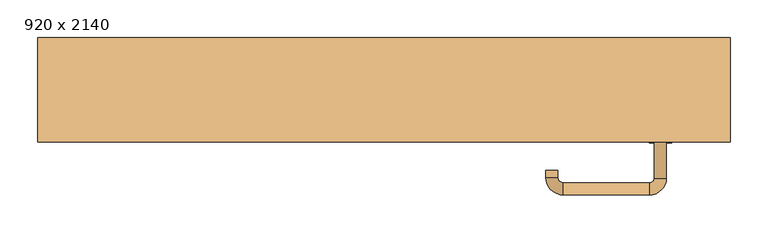
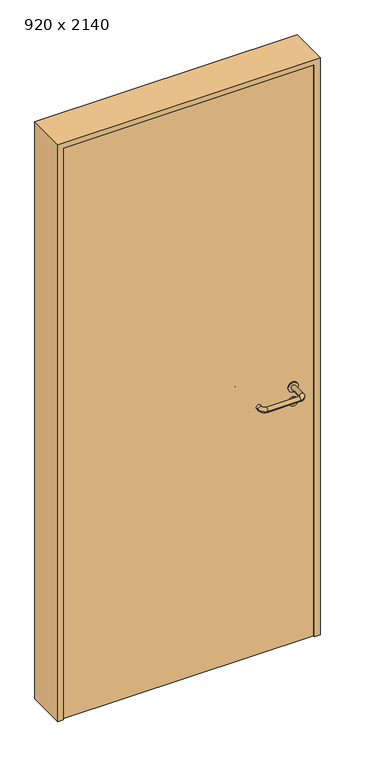
"""IFC4 building model written with IfcOpenShell, lengths in millimetres: door geometry, 920 x 2140."""

import ifcopenshell
import ifcopenshell.guid

model = None  # the IFC model being written
_history = None  # IfcOwnerHistory: only IFC2X3 demands one
_inside = {}  # id of a spatial element -> (the spatial element, [elements in it])
_under = {}  # id of a project, library or spatial element -> (it, [spatial elements below it])
_declared = {}  # id of a project -> (the project, [libraries it declares])
_typed = {}  # id of a type object -> (the type object, [elements of that type])
_made_of = {}  # id of a material, layer set ... -> (it, [elements and type objects made of it])


def new_model(schema):
    """Start an empty IFC model of exactly this schema.

    Asked for "IFC4X3", IfcOpenShell would pick the latest addendum, in which some entities
    have other attributes; the version numbers below select the first issue.
    IFC2X3 requires an IfcOwnerHistory on every rooted entity: one is made here for all.
    """
    global model, _history
    if schema == "IFC4X3":
        model = ifcopenshell.file(schema_version=(4, 3, 0, 0))
    else:
        model = ifcopenshell.file(schema=schema)
    _inside.clear()
    _under.clear()
    _declared.clear()
    _typed.clear()
    _made_of.clear()
    _history = None
    if model.schema == "IFC2X3":
        org = make("IfcOrganization", Name="unknown")
        user = make(
            "IfcPersonAndOrganization",
            ThePerson=make("IfcPerson", FamilyName="unknown"),
            TheOrganization=org,
        )
        app = make(
            "IfcApplication",
            ApplicationDeveloper=org,
            Version="unknown",
            ApplicationFullName="unknown",
            ApplicationIdentifier="unknown",
        )
        _history = make(
            "IfcOwnerHistory",
            OwningUser=user,
            OwningApplication=app,
            ChangeAction="ADDED",
            CreationDate=0,
        )
    return model


def make(cls, **values):
    """One entity of the class cls with the attributes given. An attribute that is None is left unset."""
    return model.create_entity(
        cls, **{name: value for name, value in values.items() if value is not None}
    )


def rooted(cls, **values):
    """An entity with a GlobalId (a new one), such as an element, a storey or a relation."""
    return make(cls, GlobalId=ifcopenshell.guid.new(), OwnerHistory=_history, **values)


def si_unit(unit_type, name, prefix=None):
    """IfcSIUnit, for example si_unit("LENGTHUNIT", "METRE", prefix="MILLI")."""
    return make("IfcSIUnit", UnitType=unit_type, Prefix=prefix, Name=name)


def assignment(units):
    """IfcUnitAssignment: the units of a project."""
    return None if units is None else make("IfcUnitAssignment", Units=units)


def point(xyz):
    """IfcCartesianPoint."""
    return None if xyz is None else make("IfcCartesianPoint", Coordinates=xyz)


def direction(xyz):
    """IfcDirection."""
    return None if xyz is None else make("IfcDirection", DirectionRatios=xyz)


def frame(location, z_axis=None, x_axis=None):
    """IfcAxis2Placement3D, a coordinate frame: its origin and axes. An axis left out is left unset."""
    return make(
        "IfcAxis2Placement3D",
        Location=point(location),
        Axis=direction(z_axis),
        RefDirection=direction(x_axis),
    )


def frame_2d(location, x_axis=None):
    """IfcAxis2Placement2D, a coordinate frame in the plane: its origin and x axis."""
    return make(
        "IfcAxis2Placement2D", Location=point(location), RefDirection=direction(x_axis)
    )


def origin():
    """The frame at (0, 0, 0) with its axes left unset."""
    return frame((0.0, 0.0, 0.0))


def origin_with_axes():
    """The frame at (0, 0, 0) with the z axis (0, 0, 1) and the x axis (1, 0, 0) written out."""
    return frame((0.0, 0.0, 0.0), z_axis=(0.0, 0.0, 1.0), x_axis=(1.0, 0.0, 0.0))


def place(relative_to, where):
    """IfcLocalPlacement: puts the frame where relative to a parent placement (None: the world)."""
    return make(
        "IfcLocalPlacement", PlacementRelTo=relative_to, RelativePlacement=where
    )


def context(
    kind, dimensions, precision=None, world=None, true_north=None, identifier=None
):
    """IfcGeometricRepresentationContext, for example the 3D "Model" context."""
    return make(
        "IfcGeometricRepresentationContext",
        ContextIdentifier=identifier,
        ContextType=kind,
        CoordinateSpaceDimension=dimensions,
        Precision=precision,
        WorldCoordinateSystem=world,
        TrueNorth=true_north,
    )


def project(units=None, contexts=None):
    """IfcProject with its units and contexts."""
    return rooted(
        "IfcProject",
        Name="project",
        RepresentationContexts=contexts,
        UnitsInContext=assignment(units),
    )


def spatial(cls, under=None, at=None, **own):
    """A site, building, storey or space (cls), placed at a placement, below another one or the project."""
    s = rooted(cls, ObjectPlacement=at, **own)
    if under is not None:
        _under.setdefault(under.id(), (under, []))[1].append(s)
    return s


def polyline(points):
    """IfcPolyline through the points."""
    return make("IfcPolyline", Points=[point(p) for p in points])


def circle_curve(where, radius):
    """IfcCircle in the frame where."""
    return make("IfcCircle", Position=where, Radius=radius)


def ellipse_curve(where, semi_axis1, semi_axis2):
    """IfcEllipse in the frame where."""
    return make(
        "IfcEllipse", Position=where, SemiAxis1=semi_axis1, SemiAxis2=semi_axis2
    )


def trimmed(basis, trim1, trim2, sense, master):
    """IfcTrimmedCurve: the piece of a basis curve between two trims."""
    return make(
        "IfcTrimmedCurve",
        BasisCurve=basis,
        Trim1=trim1,
        Trim2=trim2,
        SenseAgreement=sense,
        MasterRepresentation=master,
    )


def segment(curve, same_sense, transition):
    """IfcCompositeCurveSegment."""
    return make(
        "IfcCompositeCurveSegment",
        Transition=transition,
        SameSense=same_sense,
        ParentCurve=curve,
    )


def composite_curve(segments, self_intersect=None):
    """IfcCompositeCurve: segments joined end to end."""
    return make("IfcCompositeCurve", Segments=segments, SelfIntersect=self_intersect)


def outline(outer, holes=None, kind="AREA"):
    """IfcArbitraryClosedProfileDef: a profile drawn as a closed curve; with holes, ...WithVoids."""
    if holes is None:
        return make("IfcArbitraryClosedProfileDef", ProfileType=kind, OuterCurve=outer)
    return make(
        "IfcArbitraryProfileDefWithVoids",
        ProfileType=kind,
        OuterCurve=outer,
        InnerCurves=holes,
    )


def extrude(swept, where, along, depth):
    """IfcExtrudedAreaSolid: the profile swept, set in the frame where, extruded along a direction by depth."""
    return make(
        "IfcExtrudedAreaSolid",
        SweptArea=swept,
        Position=where,
        ExtrudedDirection=direction(along),
        Depth=depth,
    )


def shape(context_of_items, identifier, shape_type, items):
    """IfcShapeRepresentation: the items that make up one representation, for example the "Body"."""
    return make(
        "IfcShapeRepresentation",
        ContextOfItems=context_of_items,
        RepresentationIdentifier=identifier,
        RepresentationType=shape_type,
        Items=items,
    )


def source(mapping_origin, context_of_items, identifier, shape_type, items):
    """IfcRepresentationMap: a shape defined once, which mapped items show again and again."""
    return make(
        "IfcRepresentationMap",
        MappingOrigin=mapping_origin,
        MappedRepresentation=shape(context_of_items, identifier, shape_type, items),
    )


def transform(
    local_origin,
    x_axis=None,
    y_axis=None,
    z_axis=None,
    scale=None,
    scale2=None,
    scale3=None,
    uniform=True,
):
    """IfcCartesianTransformationOperator3D, or its non-uniform kind. x_axis, y_axis, z_axis: its Axis1, 2, 3."""
    if uniform:
        return make(
            "IfcCartesianTransformationOperator3D",
            Axis1=direction(x_axis),
            Axis2=direction(y_axis),
            LocalOrigin=point(local_origin),
            Scale=scale,
            Axis3=direction(z_axis),
        )
    return make(
        "IfcCartesianTransformationOperator3DnonUniform",
        Axis1=direction(x_axis),
        Axis2=direction(y_axis),
        LocalOrigin=point(local_origin),
        Scale=scale,
        Axis3=direction(z_axis),
        Scale2=scale2,
        Scale3=scale3,
    )


def mapped(mapping_source, mapping_target):
    """IfcMappedItem: shows the shape of a source again, moved by a transform."""
    return make(
        "IfcMappedItem", MappingSource=mapping_source, MappingTarget=mapping_target
    )


def made_of(thing, what):
    """Note that an element or type object is made of a material, layer set ...; save() writes the relation."""
    if what is not None:
        _made_of.setdefault(what.id(), (what, []))[1].append(thing)
    return thing


def element(
    cls,
    number,
    at=None,
    inside=None,
    cuts=None,
    type_object=None,
    material=None,
    context=None,
    identifier="Body",
    shape_type=None,
    held_by="IfcProductDefinitionShape",
    body=None,
    shapes=None,
    **own,
):
    """One element of the class cls, such as IfcWall. Its Tag is "e" and its number.

    at: its placement. inside: the storey or other place that contains it. cuts: it is an
    opening in that element (IfcRelVoidsElement). A single representation is given by context,
    identifier, shape_type and body (its items); several are given by shapes. held_by: the class
    of the entity that holds the representations. save() writes the other relations.
    """
    e = rooted(cls, Tag="e%d" % number, ObjectPlacement=at, **own)
    if body is not None:
        shapes = [shape(context, identifier, shape_type, body)]
    if shapes is not None:
        e.Representation = make(held_by, Representations=shapes)
    if inside is not None:
        _inside.setdefault(inside.id(), (inside, []))[1].append(e)
    if cuts is not None:
        rooted(
            "IfcRelVoidsElement", RelatingBuildingElement=cuts, RelatedOpeningElement=e
        )
    if type_object is not None:
        _typed.setdefault(type_object.id(), (type_object, []))[1].append(e)
    return made_of(e, material)


def aggregate(whole, parts):
    """IfcRelAggregates: a whole, such as a stair, and the parts it consists of."""
    return rooted("IfcRelAggregates", RelatingObject=whole, RelatedObjects=parts)


def save(model, path):
    """Write the relations noted so far, then the file.

    IfcRelAggregates (storeys below a building ...), IfcRelContainedInSpatialStructure (elements
    in a storey), IfcRelDefinesByType, IfcRelAssociatesMaterial and IfcRelDeclares: one each for
    every whole, place, type object, material and project.
    """
    for whole, parts in _under.values():
        aggregate(whole, parts)
    for where, things in _inside.values():
        rooted(
            "IfcRelContainedInSpatialStructure",
            RelatedElements=things,
            RelatingStructure=where,
        )
    for kind, things in _typed.values():
        rooted("IfcRelDefinesByType", RelatedObjects=things, RelatingType=kind)
    for what, things in _made_of.values():
        rooted("IfcRelAssociatesMaterial", RelatedObjects=things, RelatingMaterial=what)
    for by, libraries in _declared.values():
        rooted("IfcRelDeclares", RelatingContext=by, RelatedDefinitions=libraries)
    model.write(path)


def plane_surface(at):
    """IfcPlane: the flat surface through the origin of the frame at, square to its z axis."""
    return make("IfcPlane", Position=at)


def cylinder_surface(at, radius):
    """IfcCylindricalSurface: all points at the distance radius from the z axis of the frame at."""
    return make("IfcCylindricalSurface", Position=at, Radius=radius)


def revolved_surface(curve, axis_point, axis_direction):
    """IfcSurfaceOfRevolution: the curve turned about the line through axis_point along axis_direction."""
    return make(
        "IfcSurfaceOfRevolution",
        SweptCurve=make("IfcArbitraryOpenProfileDef", ProfileType="CURVE", Curve=curve),
        AxisPosition=make("IfcAxis1Placement", Location=point(axis_point), Axis=direction(axis_direction)),
    )


def advanced_brep(points, edges, surfaces, faces):
    """IfcAdvancedBrep: a solid bounded by faces that lie on surfaces and meet in shared edges.

    An edge is (start, end): straight between two places in points (the first is 0);
    or (start, end, curve); or (start, end, curve, False) where it runs against its curve.
    A face is (place in surfaces, loops), or (place, loops, False) where it looks against
    its surface's normal. A loop lists edges by number (the first is 1), with a minus sign
    where the edge is run from its end to its start. The first loop is the outer one.
    """
    corners = [point(p) for p in points]
    vertices = [make("IfcVertexPoint", VertexGeometry=c) for c in corners]
    made = []
    for start, end, *more in edges:
        made.append(
            make(
                "IfcEdgeCurve",
                EdgeStart=vertices[start],
                EdgeEnd=vertices[end],
                EdgeGeometry=more[0] if more else make("IfcPolyline", Points=[corners[start], corners[end]]),
                SameSense=more[1] if len(more) > 1 else True,
            )
        )
    hull = []
    for where, loops, *sense in faces:
        bounds = []
        for j, loop in enumerate(loops):
            ring = [make("IfcOrientedEdge", EdgeElement=made[abs(k) - 1], Orientation=k > 0) for k in loop]
            bounds.append(
                make(
                    "IfcFaceOuterBound" if j == 0 else "IfcFaceBound",
                    Bound=make("IfcEdgeLoop", EdgeList=ring),
                    Orientation=True,
                )
            )
        hull.append(make("IfcAdvancedFace", Bounds=bounds, FaceSurface=surfaces[where], SameSense=sense[0] if sense else True))
    return make("IfcAdvancedBrep", Outer=make("IfcClosedShell", CfsFaces=hull))


def door_920_x_2140_0cc21432(model_context):
    return source(origin(), model_context, "Body", "SolidModel", [
        extrude(outline(composite_curve([segment(trimmed(circle_curve(frame_2d((897.3605726, 367.0)), 15.0), [point((897.3605726, 382.0))], [point((897.3605726, 352.0))], False, "CARTESIAN"), True, "CONTINUOUS"), segment(trimmed(circle_curve(frame_2d((897.3605726, 367.0)), 15.0), [point((897.3605726, 352.0))], [point((897.3605726, 382.0))], False, "CARTESIAN"), True, "CONTINUOUS")], self_intersect=False), holes=[composite_curve([segment(trimmed(circle_curve(frame_2d((892.5833211, 366.9398032)), 2.0), [point((892.5833211, 368.9398032))], [point((892.5833211, 364.9398032))], True, "CARTESIAN"), True, "CONTINUOUS"), segment(polyline([(892.5833211, 364.9398032), (902.5833211, 364.9398032)]), True, "CONTINUOUS"), segment(trimmed(circle_curve(frame_2d((902.5833211, 366.9398032)), 2.0), [point((902.5833211, 364.9398032))], [point((902.5833211, 368.9398032))], True, "CARTESIAN"), True, "CONTINUOUS"), segment(polyline([(902.5833211, 368.9398032), (892.5833211, 368.9398032)]), True, "CONTINUOUS")], self_intersect=False)]), frame((0.0, -35.0, 0.0), z_axis=(0.0, 1.0, 0.0), x_axis=(0.0, 0.0, 1.0)), (0.0, 0.0, 1.0), 6.35),
        extrude(outline(composite_curve([segment(trimmed(circle_curve(frame_2d((950.0, 367.0)), 17.526), [point((950.0, 384.526))], [point((950.0, 349.474))], False, "CARTESIAN"), True, "CONTINUOUS"), segment(trimmed(circle_curve(frame_2d((950.0, 367.0)), 17.526), [point((950.0, 349.474))], [point((950.0, 384.526))], False, "CARTESIAN"), True, "CONTINUOUS")], self_intersect=False)), frame((0.0, -35.0, 0.0), z_axis=(0.0, 1.0, 0.0), x_axis=(0.0, 0.0, 1.0)), (0.0, 0.0, 1.0), 3.175),
        advanced_brep(
        [(375.0, -35.0, 950.0), (359.0, -35.0, 950.0), (375.0, 18.0, 950.0), (359.0, 18.0, 950.0), (352.8578644, 24.1421356, 950.0), (352.8578644, 40.1421356, 950.0), (237.8578644, 40.1421356, 950.0), (237.8578644, 24.1421356, 950.0), (231.008622, 17.2928932, 950.0), (215.008622, 17.2928932, 950.0), (215.008622, 7.2928932, 950.0), (231.008622, 7.2928932, 950.0)],
        [
            (0, 1, circle_curve(frame((367.0, -35.0, 950.0), z_axis=(0.0, -1.0, 0.0), x_axis=(-1.0, 0.0, 0.0)), 8.0)),
            (1, 0, circle_curve(frame((367.0, -35.0, 950.0), z_axis=(0.0, -1.0, 0.0), x_axis=(-1.0, 0.0, 0.0)), 8.0)),
            (0, 2),
            (2, 3, circle_curve(frame((367.0, 18.0, 950.0), z_axis=(0.0, -1.0, 0.0), x_axis=(-1.0, 0.0, 0.0)), 8.0)),
            (3, 1),
            (3, 2, circle_curve(frame((367.0, 18.0, 950.0), z_axis=(0.0, -1.0, 0.0), x_axis=(-1.0, 0.0, 0.0)), 8.0)),
            (4, 3, circle_curve(frame((352.8578644, 18.0, 950.0), z_axis=(0.0, 0.0, -1.0), x_axis=(1.0, 0.0, 0.0)), 6.1421356)),
            (2, 5, circle_curve(frame((352.8578644, 18.0, 950.0), z_axis=(0.0, 0.0, 1.0), x_axis=(1.0, 0.0, 0.0)), 22.1421356)),
            (5, 4, circle_curve(frame((352.8578644, 32.1421356, 950.0), z_axis=(1.0, 0.0, 0.0), x_axis=(0.0, -1.0, 0.0)), 8.0)),
            (4, 5, circle_curve(frame((352.8578644, 32.1421356, 950.0), z_axis=(1.0, 0.0, 0.0), x_axis=(0.0, -1.0, 0.0)), 8.0)),
            (5, 6),
            (6, 7, circle_curve(frame((237.8578644, 32.1421356, 950.0), z_axis=(1.0, 0.0, 0.0), x_axis=(0.0, -1.0, 0.0)), 8.0)),
            (7, 4),
            (7, 6, circle_curve(frame((237.8578644, 32.1421356, 950.0), z_axis=(1.0, 0.0, 0.0), x_axis=(0.0, -1.0, 0.0)), 8.0)),
            (8, 7, circle_curve(frame((237.8578644, 17.2928932, 950.0), z_axis=(0.0, 0.0, -1.0), x_axis=(0.0, 1.0, 0.0)), 6.8492424)),
            (6, 9, circle_curve(frame((237.8578644, 17.2928932, 950.0), z_axis=(0.0, 0.0, 1.0), x_axis=(0.0, 1.0, 0.0)), 22.8492424)),
            (9, 8, circle_curve(frame((223.008622, 17.2928932, 950.0), z_axis=(0.0, 1.0, 0.0), x_axis=(1.0, 0.0, 0.0)), 8.0)),
            (8, 9, circle_curve(frame((223.008622, 17.2928932, 950.0), z_axis=(0.0, 1.0, 0.0), x_axis=(1.0, 0.0, 0.0)), 8.0)),
            (10, 11, circle_curve(frame((223.008622, 7.2928932, 950.0), z_axis=(0.0, -1.0, 0.0), x_axis=(1.0, 0.0, 0.0)), 8.0)),
            (11, 10, circle_curve(frame((223.008622, 7.2928932, 950.0), z_axis=(0.0, -1.0, 0.0), x_axis=(1.0, 0.0, 0.0)), 8.0)),
            (9, 10),
            (11, 8),
        ],
        [
            plane_surface(frame((367.0, -35.0, 0.0), z_axis=(0.0, -1.0, 0.0), x_axis=(0.0, 0.0, 1.0))),
            cylinder_surface(frame((367.0, -35.0, 950.0), z_axis=(0.0, -1.0, 0.0), x_axis=(-1.0, 0.0, 0.0)), 8.0),
            revolved_surface(trimmed(ellipse_curve(frame((367.0, 18.0, 950.0), z_axis=(0.0, -1.0, 0.0), x_axis=(-1.0, 0.0, 0.0)), 8.0, 8.0), [point((375.0, 18.0, 950.0))], [point((359.0, 18.0, 950.0))], True, "CARTESIAN"), (352.8578644, 18.0, 0.0), (0.0, 0.0, 1.0)),
            revolved_surface(trimmed(ellipse_curve(frame((367.0, 18.0, 950.0), z_axis=(0.0, -1.0, 0.0), x_axis=(-1.0, 0.0, 0.0)), 8.0, 8.0), [point((359.0, 18.0, 950.0))], [point((375.0, 18.0, 950.0))], True, "CARTESIAN"), (352.8578644, 18.0, 0.0), (0.0, 0.0, 1.0)),
            cylinder_surface(frame((352.8578644, 32.1421356, 950.0), z_axis=(1.0, 0.0, 0.0), x_axis=(0.0, -1.0, 0.0)), 8.0),
            revolved_surface(trimmed(ellipse_curve(frame((237.8578644, 32.1421356, 950.0), z_axis=(1.0, 0.0, 0.0), x_axis=(0.0, -1.0, 0.0)), 8.0, 8.0), [point((237.8578644, 40.1421356, 950.0))], [point((237.8578644, 24.1421356, 950.0))], True, "CARTESIAN"), (237.8578644, 17.2928932, 0.0), (0.0, 0.0, 1.0)),
            revolved_surface(trimmed(ellipse_curve(frame((237.8578644, 32.1421356, 950.0), z_axis=(1.0, 0.0, 0.0), x_axis=(0.0, -1.0, 0.0)), 8.0, 8.0), [point((237.8578644, 24.1421356, 950.0))], [point((237.8578644, 40.1421356, 950.0))], True, "CARTESIAN"), (237.8578644, 17.2928932, 0.0), (0.0, 0.0, 1.0)),
            plane_surface(frame((223.008622, 7.2928932, 0.0), z_axis=(0.0, -1.0, 0.0), x_axis=(0.0, 0.0, 1.0))),
            cylinder_surface(frame((223.008622, 17.2928932, 950.0), z_axis=(0.0, 1.0, 0.0), x_axis=(1.0, 0.0, 0.0)), 8.0),
        ],
        [
            (0, [[1, 2]]),
            (1, [[-1, 3, 4, 5]]),
            (1, [[-2, -5, 6, -3]]),
            (2, [[7, -4, 8, 9]]),
            (3, [[-8, -6, -7, 10]]),
            (4, [[-9, 11, 12, 13]]),
            (4, [[-10, -13, 14, -11]]),
            (5, [[15, -12, 16, 17]]),
            (6, [[-16, -14, -15, 18]]),
            (7, [[19, 20]]),
            (8, [[-17, 21, -20, 22]]),
            (8, [[-18, -22, -19, -21]]),
        ],
    ),
        extrude(outline(composite_curve([segment(trimmed(circle_curve(frame_2d((0.0, 15.0)), 15.0), [point((0.0, 30.0))], [point((0.0, 0.0))], False, "CARTESIAN"), True, "CONTINUOUS"), segment(trimmed(circle_curve(frame_2d((0.0, 15.0)), 15.0), [point((0.0, 0.0))], [point((0.0, 30.0))], False, "CARTESIAN"), True, "CONTINUOUS")], self_intersect=False), holes=[composite_curve([segment(trimmed(circle_curve(frame_2d((-4.7772515, 14.9398032)), 2.0), [point((-4.7772515, 16.9398032))], [point((-4.7772515, 12.9398032))], True, "CARTESIAN"), True, "CONTINUOUS"), segment(polyline([(-4.7772515, 12.9398032), (5.2227485, 12.9398032)]), True, "CONTINUOUS"), segment(trimmed(circle_curve(frame_2d((5.2227485, 14.9398032)), 2.0), [point((5.2227485, 12.9398032))], [point((5.2227485, 16.9398032))], True, "CARTESIAN"), True, "CONTINUOUS"), segment(polyline([(5.2227485, 16.9398032), (-4.7772515, 16.9398032)]), True, "CONTINUOUS")], self_intersect=False)]), frame((352.0, -71.35, 897.3605726), z_axis=(-1.8870575173328306e-12, 1.0, 0.0), x_axis=(0.0, 0.0, 1.0)), (0.0, 0.0, 1.0), 6.35),
        extrude(outline(composite_curve([segment(trimmed(circle_curve(frame_2d((0.0, 17.526)), 17.526), [point((0.0, 35.052))], [point((0.0, 0.0))], False, "CARTESIAN"), True, "CONTINUOUS"), segment(trimmed(circle_curve(frame_2d((0.0, 17.526)), 17.526), [point((0.0, 0.0))], [point((0.0, 35.052))], False, "CARTESIAN"), True, "CONTINUOUS")], self_intersect=False)), frame((349.474, -68.175, 950.0), z_axis=(-1.8870575173328306e-12, 1.0, 0.0), x_axis=(0.0, 0.0, 1.0)), (0.0, 0.0, 1.0), 3.175),
        advanced_brep(
        [(375.0, -65.0, 950.0), (359.0, -65.0, 950.0), (359.0, -118.0, 950.0), (375.0, -118.0, 950.0), (352.8578644, -124.1421356, 950.0), (352.8578644, -140.1421356, 950.0), (237.8578644, -124.1421356, 950.0), (237.8578644, -140.1421356, 950.0), (231.008622, -117.2928932, 950.0), (215.008622, -117.2928932, 950.0), (215.008622, -107.2928932, 950.0), (231.008622, -107.2928932, 950.0)],
        [
            (0, 1, circle_curve(frame((367.0, -65.0, 950.0), z_axis=(-1.888672253512351e-12, 1.0, 0.0), x_axis=(-1.0, -1.888672253512351e-12, 0.0)), 8.0)),
            (1, 0, circle_curve(frame((367.0, -65.0, 950.0), z_axis=(-1.888672253512351e-12, 1.0, 0.0), x_axis=(-1.0, -1.888672253512351e-12, 0.0)), 8.0)),
            (1, 2),
            (2, 3, circle_curve(frame((367.0, -118.0, 950.0), z_axis=(-1.888672253512351e-12, 1.0, 0.0), x_axis=(-1.0, -1.888672253512351e-12, 0.0)), 8.0)),
            (3, 0),
            (3, 2, circle_curve(frame((367.0, -118.0, 950.0), z_axis=(-1.888672253512351e-12, 1.0, 0.0), x_axis=(-1.0, -1.888672253512351e-12, 0.0)), 8.0)),
            (4, 5, circle_curve(frame((352.8578644, -132.1421356, 950.0), z_axis=(1.0, 1.913702061528922e-12, 0.0), x_axis=(-1.913702061528922e-12, 1.0, 0.0)), 8.0)),
            (5, 3, circle_curve(frame((352.8578644, -118.0, 950.0), z_axis=(0.0, 0.0, 1.0), x_axis=(1.0, 1.880717803715015e-12, 0.0)), 22.1421356)),
            (2, 4, circle_curve(frame((352.8578644, -118.0, 950.0), z_axis=(0.0, 0.0, -1.0), x_axis=(1.0, 1.880717803715015e-12, 0.0)), 6.1421356)),
            (5, 4, circle_curve(frame((352.8578644, -132.1421356, 950.0), z_axis=(1.0, 1.913702061528922e-12, 0.0), x_axis=(-1.913702061528922e-12, 1.0, 0.0)), 8.0)),
            (4, 6),
            (6, 7, circle_curve(frame((237.8578644, -132.1421356, 950.0), z_axis=(1.0, 1.913719828541269e-12, 0.0), x_axis=(-1.913719828541269e-12, 1.0, 0.0)), 8.0)),
            (7, 5),
            (7, 6, circle_curve(frame((237.8578644, -132.1421356, 950.0), z_axis=(1.0, 1.913719828541269e-12, 0.0), x_axis=(-1.913719828541269e-12, 1.0, 0.0)), 8.0)),
            (8, 9, circle_curve(frame((223.008622, -117.2928932, 950.0), z_axis=(1.8888942981172756e-12, -1.0, 0.0), x_axis=(1.0, 1.8888942981172756e-12, 0.0)), 8.0)),
            (9, 7, circle_curve(frame((237.8578644, -117.2928932, 950.0), z_axis=(0.0, 0.0, 1.0), x_axis=(1.9120873253494017e-12, -1.0, 0.0)), 22.8492424)),
            (6, 8, circle_curve(frame((237.8578644, -117.2928932, 950.0), z_axis=(0.0, 0.0, -1.0), x_axis=(1.9120873253494017e-12, -1.0, 0.0)), 6.8492424)),
            (9, 8, circle_curve(frame((223.008622, -117.2928932, 950.0), z_axis=(1.890448610351751e-12, -1.0, 0.0), x_axis=(1.0, 1.890448610351751e-12, 0.0)), 8.0)),
            (10, 11, circle_curve(frame((223.008622, -107.2928932, 950.0), z_axis=(-1.8903642334018795e-12, 1.0, 0.0), x_axis=(1.0, 1.8903642334018795e-12, 0.0)), 8.0)),
            (11, 10, circle_curve(frame((223.008622, -107.2928932, 950.0), z_axis=(-1.8903642334018795e-12, 1.0, 0.0), x_axis=(1.0, 1.8903642334018795e-12, 0.0)), 8.0)),
            (8, 11),
            (10, 9),
        ],
        [
            plane_surface(frame((367.0, -65.0, 0.0), z_axis=(-1.8870575173328306e-12, 1.0, 0.0), x_axis=(0.0, 0.0, 1.0))),
            cylinder_surface(frame((367.0, -65.0, 950.0), z_axis=(-1.888672253512351e-12, 1.0, 0.0), x_axis=(-1.0, -1.888672253512351e-12, 0.0)), 8.0),
            revolved_surface(trimmed(ellipse_curve(frame((367.0, -118.0, 950.0), z_axis=(1.8823325398945356e-12, -1.0, 0.0), x_axis=(-1.0, -1.8823325398945356e-12, 0.0)), 8.0, 8.0), [point((375.0, -118.0, 950.0))], [point((359.0, -118.0, 950.0))], True, "CARTESIAN"), (352.8578644, -118.0, 0.0), (0.0, 0.0, 1.0)),
            revolved_surface(trimmed(ellipse_curve(frame((367.0, -118.0, 950.0), z_axis=(1.8823325398945356e-12, -1.0, 0.0), x_axis=(-1.0, -1.8823325398945356e-12, 0.0)), 8.0, 8.0), [point((359.0, -118.0, 950.0))], [point((375.0, -118.0, 950.0))], True, "CARTESIAN"), (352.8578644, -118.0, 0.0), (0.0, 0.0, 1.0)),
            cylinder_surface(frame((352.8578644, -132.1421356, 950.0), z_axis=(1.0, 1.913719828541269e-12, 0.0), x_axis=(-1.913719828541269e-12, 1.0, 0.0)), 8.0),
            revolved_surface(trimmed(ellipse_curve(frame((237.8578644, -132.1421356, 950.0), z_axis=(-1.0, -1.913702061528922e-12, 0.0), x_axis=(-1.913702061528922e-12, 1.0, 0.0)), 8.0, 8.0), [point((237.8578644, -140.1421356, 950.0))], [point((237.8578644, -124.1421356, 950.0))], True, "CARTESIAN"), (237.8578644, -117.2928932, 0.0), (0.0, 0.0, 1.0)),
            revolved_surface(trimmed(ellipse_curve(frame((237.8578644, -132.1421356, 950.0), z_axis=(-1.0, -1.913702061528922e-12, 0.0), x_axis=(-1.913702061528922e-12, 1.0, 0.0)), 8.0, 8.0), [point((237.8578644, -124.1421356, 950.0))], [point((237.8578644, -140.1421356, 950.0))], True, "CARTESIAN"), (237.8578644, -117.2928932, 0.0), (0.0, 0.0, 1.0)),
            plane_surface(frame((223.008622, -107.2928932, 0.0), z_axis=(-1.8887494972223595e-12, 1.0, 0.0), x_axis=(0.0, 0.0, 1.0))),
            cylinder_surface(frame((223.008622, -117.2928932, 950.0), z_axis=(1.8903642334018795e-12, -1.0, 0.0), x_axis=(1.0, 1.8903642334018795e-12, 0.0)), 8.0),
        ],
        [
            (0, [[1, 2]]),
            (1, [[3, 4, 5, -2]]),
            (1, [[-5, 6, -3, -1]]),
            (2, [[7, 8, -4, 9]]),
            (3, [[10, -9, -6, -8]]),
            (4, [[11, 12, 13, -7]]),
            (4, [[-13, 14, -11, -10]]),
            (5, [[15, 16, -12, 17]]),
            (6, [[18, -17, -14, -16]]),
            (7, [[19, 20]]),
            (8, [[21, -19, 22, -15]]),
            (8, [[-22, -20, -21, -18]]),
        ],
    ),
        extrude(outline(polyline([(2120.0, 440.0), (0.0, 440.0), (0.0, 460.0), (2140.0, 460.0), (2140.0, -460.0), (0.0, -460.0), (0.0, -440.0), (2120.0, -440.0), (2120.0, 440.0)])), frame((0.0, -70.0, 0.0), z_axis=(0.0, 1.0, 0.0), x_axis=(0.0, 0.0, 1.0)), (0.0, 0.0, 1.0), 139.0),
        extrude(outline(polyline([(-440.0, -65.0), (-440.0, -35.0), (440.0, -35.0), (440.0, -65.0), (-440.0, -65.0)])), origin_with_axes(), (0.0, 0.0, 1.0), 2120.0),
    ])


if __name__ == "__main__":
    model = new_model("IFC4")
    model_context = context("Model", 3, world=origin())
    ifc_project = project(units=[si_unit("LENGTHUNIT", "METRE", prefix="MILLI")], contexts=[model_context])
    site = spatial("IfcSite", under=ifc_project)
    building = spatial("IfcBuilding", under=site)
    placement = place(None, origin())
    door_920_x_2140_shape = door_920_x_2140_0cc21432(model_context)
    element("IfcDoor", 1, ObjectType="920 x 2140", at=placement, inside=building, context=model_context, shape_type="MappedRepresentation", body=[
        mapped(door_920_x_2140_shape, transform((0.0, 0.0, 0.0), x_axis=(1.0, 0.0, 0.0), y_axis=(0.0, 1.0, 0.0), z_axis=(0.0, 0.0, 1.0))),
    ])
    save(model, "model.ifc")
